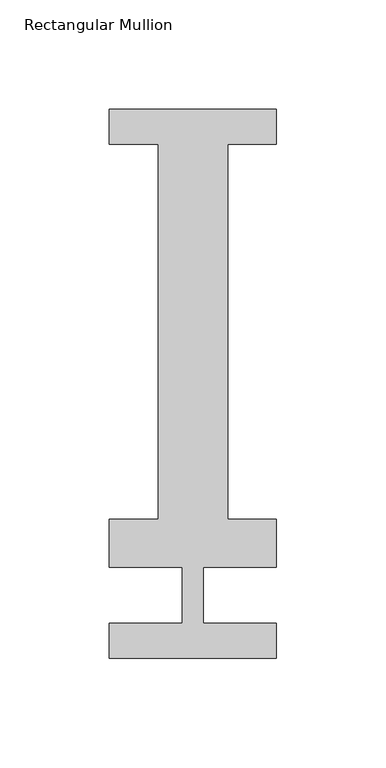
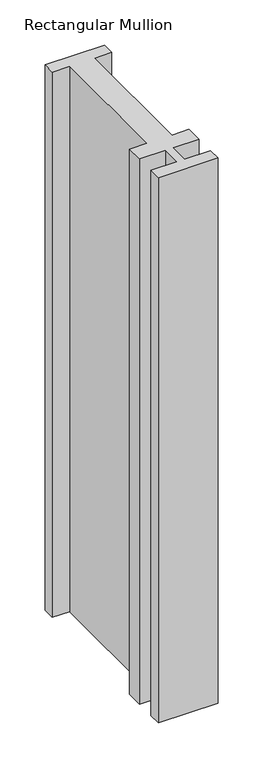
"""IFC4 building model written with IfcOpenShell, lengths in millimetres: member geometry, Rectangular Mullion."""

from ifc_helpers import new_model, si_unit, frame, origin, place, context, project, spatial, polyline, outline, extrude, source, transform, mapped, element, save


def rectangular_mullion_b4b76aec(model_context):
    return source(origin(), model_context, "Body", "SweptSolid", [
        extrude(outline(polyline([(38.1, 221.996), (38.1, 206.121), (15.875, 206.121), (15.875, 34.671), (38.1, 34.671), (38.1, 12.7), (4.7625, 12.7), (4.7625, -12.7), (38.1, -12.7), (38.1, -28.830618), (-38.1, -28.830618), (-38.1, -12.7), (-4.7625, -12.7), (-4.7625, 12.7), (-38.1, 12.7), (-38.1, 34.671), (-15.875, 34.671), (-15.875, 206.121), (-38.1, 206.121), (-38.1, 221.996), (38.1, 221.996)])), frame((0.0, 0.0, -736.6), z_axis=(0.0, 0.0, 1.0), x_axis=(1.0, 0.0, 0.0)), (0.0, 0.0, 1.0), 736.6),
    ])


if __name__ == "__main__":
    model = new_model("IFC4")
    model_context = context("Model", 3, world=origin())
    ifc_project = project(units=[si_unit("LENGTHUNIT", "METRE", prefix="MILLI")], contexts=[model_context])
    site = spatial("IfcSite", under=ifc_project)
    building = spatial("IfcBuilding", under=site)
    placement = place(None, origin())
    rectangular_mullion_shape = rectangular_mullion_b4b76aec(model_context)
    element("IfcMember", 1, ObjectType="Rectangular Mullion", at=placement, inside=building, context=model_context, shape_type="MappedRepresentation", body=[
        mapped(rectangular_mullion_shape, transform((0.0, 0.0, 0.0), x_axis=(1.0, 0.0, 0.0), y_axis=(0.0, 1.0, 0.0), z_axis=(0.0, 0.0, 1.0))),
    ])
    save(model, "model.ifc")
